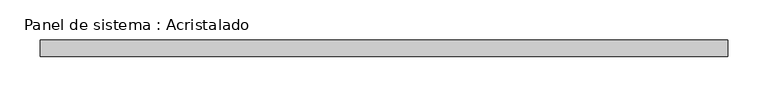
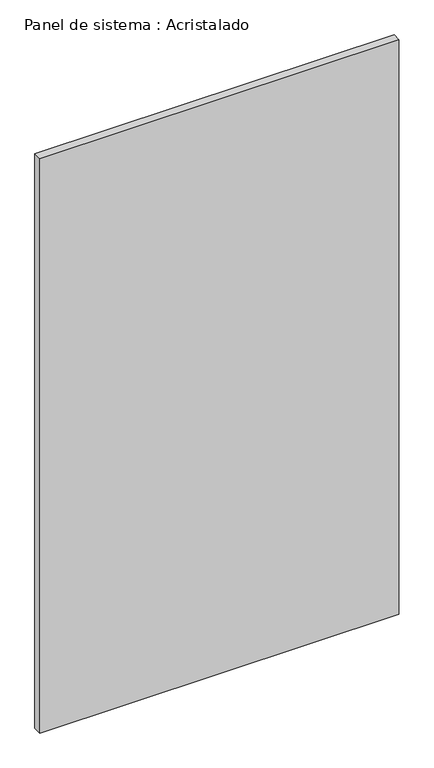
"""IFC4 building model written with IfcOpenShell, lengths in millimetres: plate geometry, Panel de sistema : Acristalado."""

from ifc_helpers import new_model, si_unit, origin, origin_with_axes, place, context, project, spatial, polyline, outline, extrude, source, transform, mapped, element, save


def panel_de_sistema_acristalado_b3017b32(model_context):
    return source(origin(), model_context, "Body", "SweptSolid", [
        extrude(outline(polyline([(425.683002, -10.0), (-425.683002, -10.0), (-425.683002, 10.0), (425.683002, 10.0), (425.683002, -10.0)])), origin_with_axes(), (0.0, 0.0, 1.0), 1439.2228533),
    ])


if __name__ == "__main__":
    model = new_model("IFC4")
    model_context = context("Model", 3, world=origin())
    ifc_project = project(units=[si_unit("LENGTHUNIT", "METRE", prefix="MILLI")], contexts=[model_context])
    site = spatial("IfcSite", under=ifc_project)
    building = spatial("IfcBuilding", under=site)
    placement = place(None, origin())
    panel_de_sistema_acristalado_shape = panel_de_sistema_acristalado_b3017b32(model_context)
    element("IfcPlate", 1, ObjectType="Panel de sistema : Acristalado", at=placement, inside=building, context=model_context, shape_type="MappedRepresentation", body=[
        mapped(panel_de_sistema_acristalado_shape, transform((0.0, 0.0, 0.0), x_axis=(1.0, 0.0, 0.0), y_axis=(0.0, 1.0, 0.0), z_axis=(0.0, 0.0, 1.0))),
    ])
    save(model, "model.ifc")
